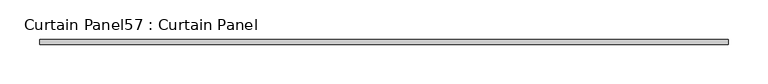
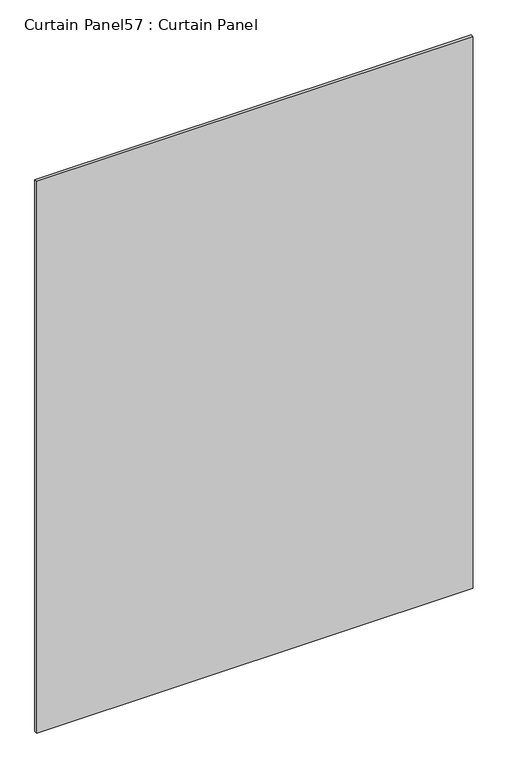
"""IFC4 building model written with IfcOpenShell, lengths in millimetres: plate geometry, Curtain Panel57 : Curtain Panel."""

from ifc_helpers import new_model, si_unit, frame, origin, place, context, project, spatial, polyline, outline, extrude, source, transform, mapped, element, save


def curtain_panel57_curtain_panel_14907cc9(model_context):
    return source(origin(), model_context, "Body", "SweptSolid", [
        extrude(outline(polyline([(-36497.5903653, 3064.5159455), (-37367.4893244, 3064.5159455), (-37367.4893244, 3070.8659455), (-36497.5903653, 3070.8659455), (-36497.5903653, 3064.5159455)])), frame((0.0, 0.0, 2454.275), z_axis=(0.0, 0.0, 1.0), x_axis=(1.0, 0.0, 0.0)), (0.0, 0.0, 1.0), 1162.05),
    ])


if __name__ == "__main__":
    model = new_model("IFC4")
    model_context = context("Model", 3, world=origin())
    ifc_project = project(units=[si_unit("LENGTHUNIT", "METRE", prefix="MILLI")], contexts=[model_context])
    site = spatial("IfcSite", under=ifc_project)
    building = spatial("IfcBuilding", under=site)
    placement = place(None, origin())
    curtain_panel57_curtain_panel_shape = curtain_panel57_curtain_panel_14907cc9(model_context)
    element("IfcPlate", 1, ObjectType="Curtain Panel57 : Curtain Panel", at=placement, inside=building, context=model_context, shape_type="MappedRepresentation", body=[
        mapped(curtain_panel57_curtain_panel_shape, transform((0.0, 0.0, 0.0), x_axis=(1.0, 0.0, 0.0), y_axis=(0.0, 1.0, 0.0), z_axis=(0.0, 0.0, 1.0))),
    ])
    save(model, "model.ifc")
